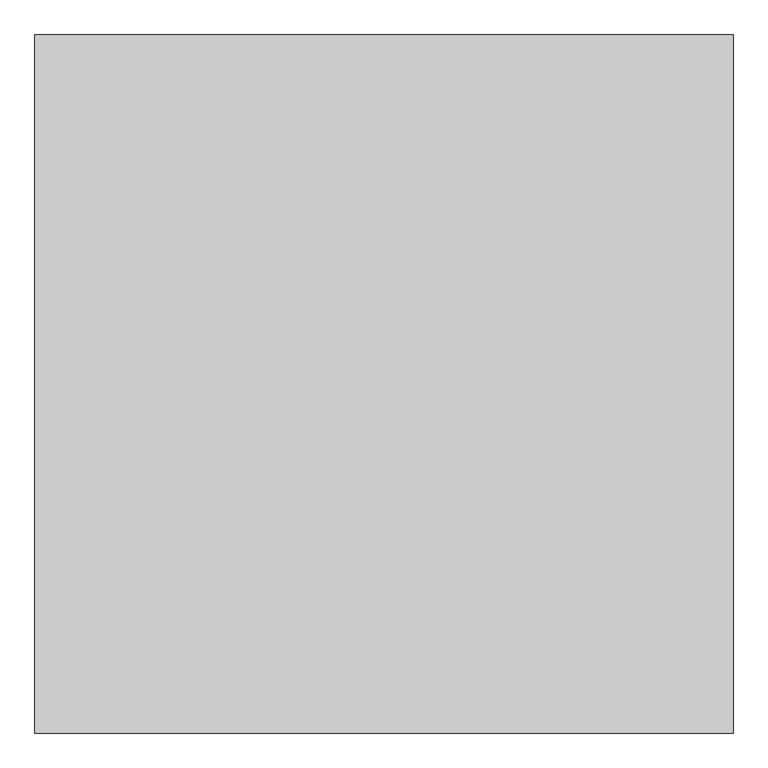
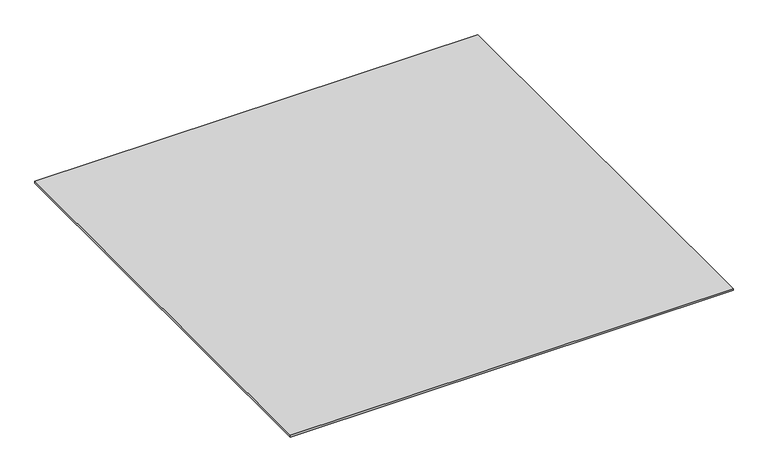
"""IFC4 building model written with IfcOpenShell, lengths in millimetres: proxy geometry."""

from ifc_helpers import new_model, si_unit, origin, origin_with_axes, place, context, project, spatial, polyline, outline, extrude, source, transform, mapped, element, save


def generic_models_b4dcc038(model_context):
    return source(origin(), model_context, "Body", "SweptSolid", [
        extrude(outline(polyline([(7403.0762132, -32987.355679), (7403.0762132, -33987.355679), (6403.0762132, -33987.355679), (6403.0762132, -32987.355679), (7403.0762132, -32987.355679)])), origin_with_axes(), (0.0, 0.0, 1.0), 4.0),
    ])


if __name__ == "__main__":
    model = new_model("IFC4")
    model_context = context("Model", 3, world=origin())
    ifc_project = project(units=[si_unit("LENGTHUNIT", "METRE", prefix="MILLI")], contexts=[model_context])
    site = spatial("IfcSite", under=ifc_project)
    building = spatial("IfcBuilding", under=site)
    placement = place(None, origin())
    generic_models_shape = generic_models_b4dcc038(model_context)
    element("IfcBuildingElementProxy", 1, Name="Generic Models", at=placement, inside=building, context=model_context, shape_type="MappedRepresentation", body=[
        mapped(generic_models_shape, transform((0.0, 0.0, 0.0), x_axis=(1.0, 0.0, 0.0), y_axis=(0.0, 1.0, 0.0), z_axis=(0.0, 0.0, 1.0))),
    ])
    save(model, "model.ifc")
